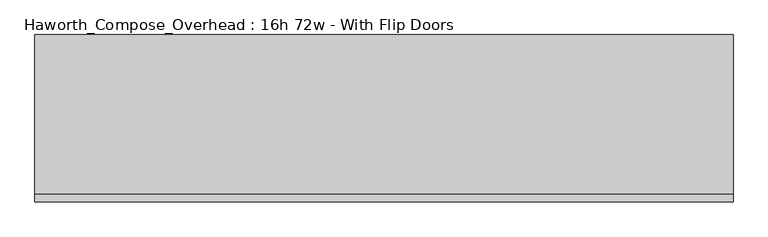
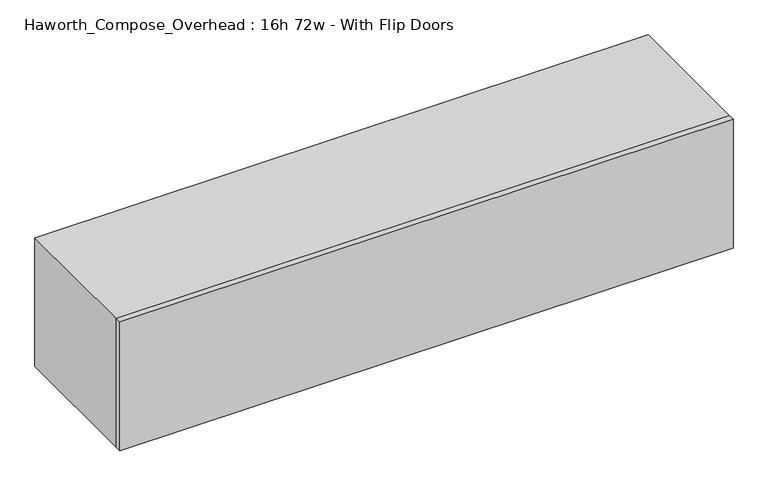
"""IFC4 building model written with IfcOpenShell, lengths in millimetres: furniture geometry, Haworth_Compose_Overhead : 16h 72w - With Flip Doors."""

from ifc_helpers import new_model, si_unit, frame, origin, place, context, project, spatial, polyline, outline, extrude, source, transform, mapped, element, save


def haworth_compose_overhead_16h_72w_with_flip_doors_69c45c9c(model_context):
    return source(origin(), model_context, "Body", "SweptSolid", [
        extrude(outline(polyline([(1079.5, -438.15), (-749.3, -438.15), (-749.3, -419.1), (1079.5, -419.1), (1079.5, -438.15)])), frame((0.0, 0.0, 1270.0), z_axis=(0.0, 0.0, 1.0), x_axis=(1.0, 0.0, 0.0)), (0.0, 0.0, 1.0), 406.4),
        extrude(outline(polyline([(1054.1, -6.35), (-723.9, -6.35), (-723.9, 0.0), (1054.1, 0.0), (1054.1, -6.35)])), frame((0.0, 0.0, 1295.4), z_axis=(0.0, 0.0, 1.0), x_axis=(1.0, 0.0, 0.0)), (0.0, 0.0, 1.0), 355.6),
        extrude(outline(polyline([(1270.0, 1079.5), (1676.4, 1079.5), (1676.4, -749.3), (1270.0, -749.3), (1270.0, 1079.5)]), holes=[polyline([(1651.0, 1054.1), (1295.4, 1054.1), (1295.4, -723.9), (1651.0, -723.9), (1651.0, 1054.1)])]), frame((0.0, -419.1, 0.0), z_axis=(0.0, 1.0, 0.0), x_axis=(0.0, 0.0, 1.0)), (0.0, 0.0, 1.0), 419.1),
    ])


if __name__ == "__main__":
    model = new_model("IFC4")
    model_context = context("Model", 3, world=origin())
    ifc_project = project(units=[si_unit("LENGTHUNIT", "METRE", prefix="MILLI")], contexts=[model_context])
    site = spatial("IfcSite", under=ifc_project)
    building = spatial("IfcBuilding", under=site)
    placement = place(None, origin())
    haworth_compose_overhead_16h_72w_with_flip_doors_shape = haworth_compose_overhead_16h_72w_with_flip_doors_69c45c9c(model_context)
    element("IfcFurniture", 1, ObjectType="Haworth_Compose_Overhead : 16h 72w - With Flip Doors", at=placement, inside=building, context=model_context, shape_type="MappedRepresentation", body=[
        mapped(haworth_compose_overhead_16h_72w_with_flip_doors_shape, transform((0.0, 0.0, 0.0), x_axis=(1.0, 0.0, 0.0), y_axis=(0.0, 1.0, 0.0), z_axis=(0.0, 0.0, 1.0))),
    ])
    save(model, "model.ifc")
